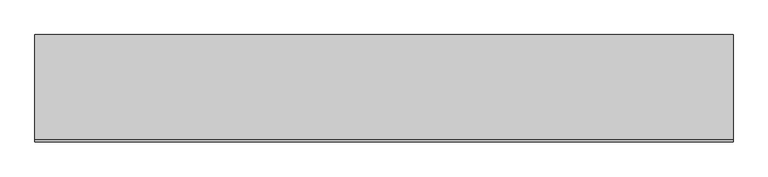
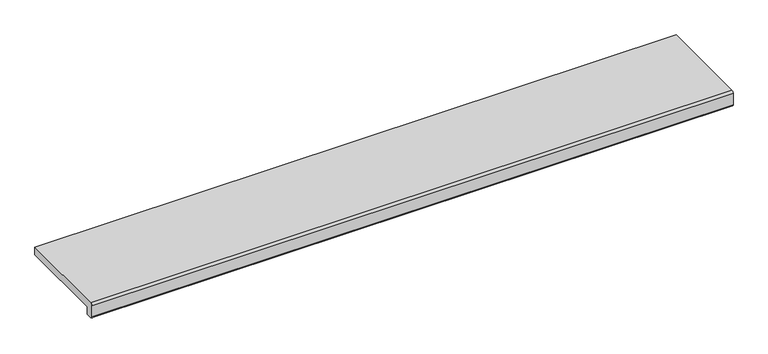
"""IFC4 building model written with IfcOpenShell, lengths in millimetres: proxy geometry."""

import ifcopenshell
import ifcopenshell.guid

model = None  # the IFC model being written
_history = None  # IfcOwnerHistory: only IFC2X3 demands one
_inside = {}  # id of a spatial element -> (the spatial element, [elements in it])
_under = {}  # id of a project, library or spatial element -> (it, [spatial elements below it])
_declared = {}  # id of a project -> (the project, [libraries it declares])
_typed = {}  # id of a type object -> (the type object, [elements of that type])
_made_of = {}  # id of a material, layer set ... -> (it, [elements and type objects made of it])


def new_model(schema):
    """Start an empty IFC model of exactly this schema.

    Asked for "IFC4X3", IfcOpenShell would pick the latest addendum, in which some entities
    have other attributes; the version numbers below select the first issue.
    IFC2X3 requires an IfcOwnerHistory on every rooted entity: one is made here for all.
    """
    global model, _history
    if schema == "IFC4X3":
        model = ifcopenshell.file(schema_version=(4, 3, 0, 0))
    else:
        model = ifcopenshell.file(schema=schema)
    _inside.clear()
    _under.clear()
    _declared.clear()
    _typed.clear()
    _made_of.clear()
    _history = None
    if model.schema == "IFC2X3":
        org = make("IfcOrganization", Name="unknown")
        user = make(
            "IfcPersonAndOrganization",
            ThePerson=make("IfcPerson", FamilyName="unknown"),
            TheOrganization=org,
        )
        app = make(
            "IfcApplication",
            ApplicationDeveloper=org,
            Version="unknown",
            ApplicationFullName="unknown",
            ApplicationIdentifier="unknown",
        )
        _history = make(
            "IfcOwnerHistory",
            OwningUser=user,
            OwningApplication=app,
            ChangeAction="ADDED",
            CreationDate=0,
        )
    return model


def make(cls, **values):
    """One entity of the class cls with the attributes given. An attribute that is None is left unset."""
    return model.create_entity(
        cls, **{name: value for name, value in values.items() if value is not None}
    )


def rooted(cls, **values):
    """An entity with a GlobalId (a new one), such as an element, a storey or a relation."""
    return make(cls, GlobalId=ifcopenshell.guid.new(), OwnerHistory=_history, **values)


def si_unit(unit_type, name, prefix=None):
    """IfcSIUnit, for example si_unit("LENGTHUNIT", "METRE", prefix="MILLI")."""
    return make("IfcSIUnit", UnitType=unit_type, Prefix=prefix, Name=name)


def assignment(units):
    """IfcUnitAssignment: the units of a project."""
    return None if units is None else make("IfcUnitAssignment", Units=units)


def point(xyz):
    """IfcCartesianPoint."""
    return None if xyz is None else make("IfcCartesianPoint", Coordinates=xyz)


def direction(xyz):
    """IfcDirection."""
    return None if xyz is None else make("IfcDirection", DirectionRatios=xyz)


def frame(location, z_axis=None, x_axis=None):
    """IfcAxis2Placement3D, a coordinate frame: its origin and axes. An axis left out is left unset."""
    return make(
        "IfcAxis2Placement3D",
        Location=point(location),
        Axis=direction(z_axis),
        RefDirection=direction(x_axis),
    )


def frame_2d(location, x_axis=None):
    """IfcAxis2Placement2D, a coordinate frame in the plane: its origin and x axis."""
    return make(
        "IfcAxis2Placement2D", Location=point(location), RefDirection=direction(x_axis)
    )


def origin():
    """The frame at (0, 0, 0) with its axes left unset."""
    return frame((0.0, 0.0, 0.0))


def place(relative_to, where):
    """IfcLocalPlacement: puts the frame where relative to a parent placement (None: the world)."""
    return make(
        "IfcLocalPlacement", PlacementRelTo=relative_to, RelativePlacement=where
    )


def context(
    kind, dimensions, precision=None, world=None, true_north=None, identifier=None
):
    """IfcGeometricRepresentationContext, for example the 3D "Model" context."""
    return make(
        "IfcGeometricRepresentationContext",
        ContextIdentifier=identifier,
        ContextType=kind,
        CoordinateSpaceDimension=dimensions,
        Precision=precision,
        WorldCoordinateSystem=world,
        TrueNorth=true_north,
    )


def project(units=None, contexts=None):
    """IfcProject with its units and contexts."""
    return rooted(
        "IfcProject",
        Name="project",
        RepresentationContexts=contexts,
        UnitsInContext=assignment(units),
    )


def spatial(cls, under=None, at=None, **own):
    """A site, building, storey or space (cls), placed at a placement, below another one or the project."""
    s = rooted(cls, ObjectPlacement=at, **own)
    if under is not None:
        _under.setdefault(under.id(), (under, []))[1].append(s)
    return s


def polyline(points):
    """IfcPolyline through the points."""
    return make("IfcPolyline", Points=[point(p) for p in points])


def circle_curve(where, radius):
    """IfcCircle in the frame where."""
    return make("IfcCircle", Position=where, Radius=radius)


def trimmed(basis, trim1, trim2, sense, master):
    """IfcTrimmedCurve: the piece of a basis curve between two trims."""
    return make(
        "IfcTrimmedCurve",
        BasisCurve=basis,
        Trim1=trim1,
        Trim2=trim2,
        SenseAgreement=sense,
        MasterRepresentation=master,
    )


def segment(curve, same_sense, transition):
    """IfcCompositeCurveSegment."""
    return make(
        "IfcCompositeCurveSegment",
        Transition=transition,
        SameSense=same_sense,
        ParentCurve=curve,
    )


def composite_curve(segments, self_intersect=None):
    """IfcCompositeCurve: segments joined end to end."""
    return make("IfcCompositeCurve", Segments=segments, SelfIntersect=self_intersect)


def outline(outer, holes=None, kind="AREA"):
    """IfcArbitraryClosedProfileDef: a profile drawn as a closed curve; with holes, ...WithVoids."""
    if holes is None:
        return make("IfcArbitraryClosedProfileDef", ProfileType=kind, OuterCurve=outer)
    return make(
        "IfcArbitraryProfileDefWithVoids",
        ProfileType=kind,
        OuterCurve=outer,
        InnerCurves=holes,
    )


def extrude(swept, where, along, depth):
    """IfcExtrudedAreaSolid: the profile swept, set in the frame where, extruded along a direction by depth."""
    return make(
        "IfcExtrudedAreaSolid",
        SweptArea=swept,
        Position=where,
        ExtrudedDirection=direction(along),
        Depth=depth,
    )


def shape(context_of_items, identifier, shape_type, items):
    """IfcShapeRepresentation: the items that make up one representation, for example the "Body"."""
    return make(
        "IfcShapeRepresentation",
        ContextOfItems=context_of_items,
        RepresentationIdentifier=identifier,
        RepresentationType=shape_type,
        Items=items,
    )


def source(mapping_origin, context_of_items, identifier, shape_type, items):
    """IfcRepresentationMap: a shape defined once, which mapped items show again and again."""
    return make(
        "IfcRepresentationMap",
        MappingOrigin=mapping_origin,
        MappedRepresentation=shape(context_of_items, identifier, shape_type, items),
    )


def transform(
    local_origin,
    x_axis=None,
    y_axis=None,
    z_axis=None,
    scale=None,
    scale2=None,
    scale3=None,
    uniform=True,
):
    """IfcCartesianTransformationOperator3D, or its non-uniform kind. x_axis, y_axis, z_axis: its Axis1, 2, 3."""
    if uniform:
        return make(
            "IfcCartesianTransformationOperator3D",
            Axis1=direction(x_axis),
            Axis2=direction(y_axis),
            LocalOrigin=point(local_origin),
            Scale=scale,
            Axis3=direction(z_axis),
        )
    return make(
        "IfcCartesianTransformationOperator3DnonUniform",
        Axis1=direction(x_axis),
        Axis2=direction(y_axis),
        LocalOrigin=point(local_origin),
        Scale=scale,
        Axis3=direction(z_axis),
        Scale2=scale2,
        Scale3=scale3,
    )


def mapped(mapping_source, mapping_target):
    """IfcMappedItem: shows the shape of a source again, moved by a transform."""
    return make(
        "IfcMappedItem", MappingSource=mapping_source, MappingTarget=mapping_target
    )


def made_of(thing, what):
    """Note that an element or type object is made of a material, layer set ...; save() writes the relation."""
    if what is not None:
        _made_of.setdefault(what.id(), (what, []))[1].append(thing)
    return thing


def element(
    cls,
    number,
    at=None,
    inside=None,
    cuts=None,
    type_object=None,
    material=None,
    context=None,
    identifier="Body",
    shape_type=None,
    held_by="IfcProductDefinitionShape",
    body=None,
    shapes=None,
    **own,
):
    """One element of the class cls, such as IfcWall. Its Tag is "e" and its number.

    at: its placement. inside: the storey or other place that contains it. cuts: it is an
    opening in that element (IfcRelVoidsElement). A single representation is given by context,
    identifier, shape_type and body (its items); several are given by shapes. held_by: the class
    of the entity that holds the representations. save() writes the other relations.
    """
    e = rooted(cls, Tag="e%d" % number, ObjectPlacement=at, **own)
    if body is not None:
        shapes = [shape(context, identifier, shape_type, body)]
    if shapes is not None:
        e.Representation = make(held_by, Representations=shapes)
    if inside is not None:
        _inside.setdefault(inside.id(), (inside, []))[1].append(e)
    if cuts is not None:
        rooted(
            "IfcRelVoidsElement", RelatingBuildingElement=cuts, RelatedOpeningElement=e
        )
    if type_object is not None:
        _typed.setdefault(type_object.id(), (type_object, []))[1].append(e)
    return made_of(e, material)


def aggregate(whole, parts):
    """IfcRelAggregates: a whole, such as a stair, and the parts it consists of."""
    return rooted("IfcRelAggregates", RelatingObject=whole, RelatedObjects=parts)


def save(model, path):
    """Write the relations noted so far, then the file.

    IfcRelAggregates (storeys below a building ...), IfcRelContainedInSpatialStructure (elements
    in a storey), IfcRelDefinesByType, IfcRelAssociatesMaterial and IfcRelDeclares: one each for
    every whole, place, type object, material and project.
    """
    for whole, parts in _under.values():
        aggregate(whole, parts)
    for where, things in _inside.values():
        rooted(
            "IfcRelContainedInSpatialStructure",
            RelatedElements=things,
            RelatingStructure=where,
        )
    for kind, things in _typed.values():
        rooted("IfcRelDefinesByType", RelatedObjects=things, RelatingType=kind)
    for what, things in _made_of.values():
        rooted("IfcRelAssociatesMaterial", RelatedObjects=things, RelatingMaterial=what)
    for by, libraries in _declared.values():
        rooted("IfcRelDeclares", RelatingContext=by, RelatedDefinitions=libraries)
    model.write(path)


def generic_models_81f869a3(model_context):
    return source(origin(), model_context, "Body", "SweptSolid", [
        extrude(outline(composite_curve([segment(polyline([(-245.0, 30.0), (0.0, 30.0), (0.0, 10.0), (-230.0, 10.0), (-230.0, -10.0), (-245.0, -10.0)]), True, "CONTINUOUS"), segment(trimmed(circle_curve(frame_2d((-245.0, -5.0)), 5.0), [point((-245.0, -10.0))], [point((-250.0, -5.0))], False, "CARTESIAN"), True, "CONTINUOUS"), segment(polyline([(-250.0, -5.0), (-250.0, 25.0)]), True, "CONTINUOUS"), segment(trimmed(circle_curve(frame_2d((-245.0, 25.0)), 5.0), [point((-250.0, 25.0))], [point((-245.0, 30.0))], False, "CARTESIAN"), True, "CONTINUOUS")], self_intersect=False)), frame((-812.5, 0.0, 0.0), z_axis=(1.0, 0.0, 0.0), x_axis=(0.0, 1.0, 0.0)), (0.0, 0.0, 1.0), 1625.0),
    ])


if __name__ == "__main__":
    model = new_model("IFC4")
    model_context = context("Model", 3, world=origin())
    ifc_project = project(units=[si_unit("LENGTHUNIT", "METRE", prefix="MILLI")], contexts=[model_context])
    site = spatial("IfcSite", under=ifc_project)
    building = spatial("IfcBuilding", under=site)
    placement = place(None, origin())
    generic_models_shape = generic_models_81f869a3(model_context)
    element("IfcBuildingElementProxy", 1, Name="Generic Models", at=placement, inside=building, context=model_context, shape_type="MappedRepresentation", body=[
        mapped(generic_models_shape, transform((0.0, 0.0, 0.0), x_axis=(1.0, 0.0, 0.0), y_axis=(0.0, 1.0, 0.0), z_axis=(0.0, 0.0, 1.0))),
    ])
    save(model, "model.ifc")
